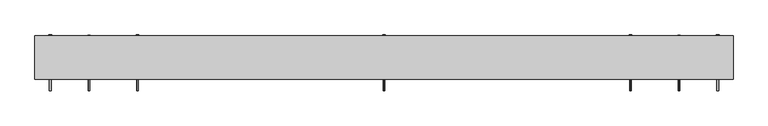
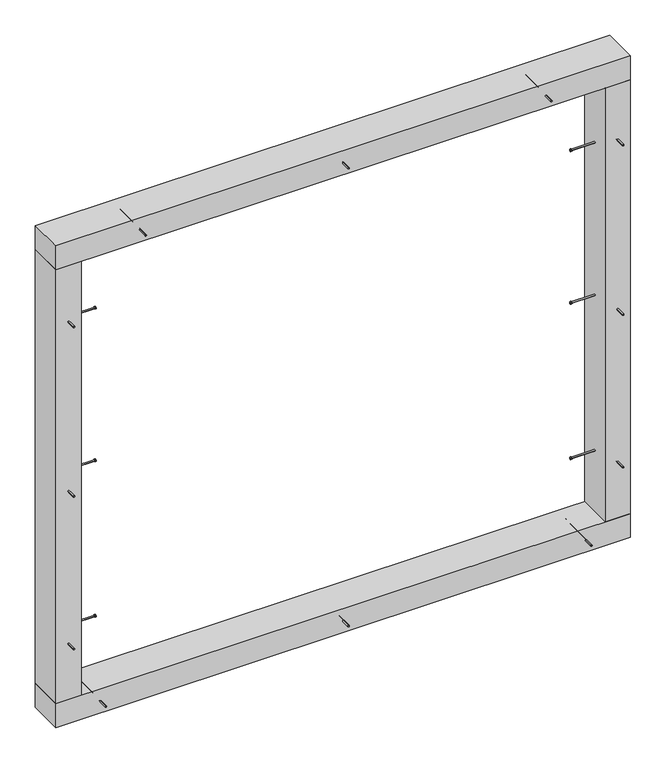
"""IFC4 building model written with IfcOpenShell, lengths in millimetres: proxy geometry."""

from ifc_helpers import new_model, si_unit, point, frame, frame_2d, origin, origin_with_axes, place, context, project, spatial, polyline, circle_curve, trimmed, segment, composite_curve, outline, extrude, source, transform, mapped, element, save


def generic_models_c00887e0(model_context):
    return source(origin(), model_context, "Body", "SweptSolid", [
        extrude(outline(composite_curve([segment(trimmed(circle_curve(frame_2d((1677.5, 125.0)), 2.4700592), [point((1679.9700592, 125.0))], [point((1675.0299408, 125.0))], False, "CARTESIAN"), True, "CONTINUOUS"), segment(trimmed(circle_curve(frame_2d((1677.5, 125.0)), 2.4700592), [point((1675.0299408, 125.0))], [point((1679.9700592, 125.0))], False, "CARTESIAN"), True, "CONTINUOUS")], self_intersect=False)), frame((0.0, -92.0, 0.0), z_axis=(0.0, 1.0, 0.0), x_axis=(0.0, 0.0, 1.0)), (0.0, 0.0, 1.0), 152.0),
        extrude(outline(composite_curve([segment(trimmed(circle_curve(frame_2d((1677.5, 125.0)), 3.8), [point((1681.3, 125.0))], [point((1673.7, 125.0))], False, "CARTESIAN"), True, "CONTINUOUS"), segment(trimmed(circle_curve(frame_2d((1677.5, 125.0)), 3.8), [point((1673.7, 125.0))], [point((1681.3, 125.0))], False, "CARTESIAN"), True, "CONTINUOUS")], self_intersect=False)), frame((0.0, 60.0, 0.0), z_axis=(0.0, 1.0, 0.0), x_axis=(0.0, 0.0, 1.0)), (0.0, 0.0, 1.0), 3.0),
        extrude(outline(composite_curve([segment(trimmed(circle_curve(frame_2d((1677.5, 810.0)), 2.4700592), [point((1679.9700592, 810.0))], [point((1675.0299408, 810.0))], False, "CARTESIAN"), True, "CONTINUOUS"), segment(trimmed(circle_curve(frame_2d((1677.5, 810.0)), 2.4700592), [point((1675.0299408, 810.0))], [point((1679.9700592, 810.0))], False, "CARTESIAN"), True, "CONTINUOUS")], self_intersect=False)), frame((0.0, -92.0, 0.0), z_axis=(0.0, 1.0, 0.0), x_axis=(0.0, 0.0, 1.0)), (0.0, 0.0, 1.0), 152.0),
        extrude(outline(composite_curve([segment(trimmed(circle_curve(frame_2d((1677.5, 810.0)), 3.8), [point((1681.3, 810.0))], [point((1673.7, 810.0))], False, "CARTESIAN"), True, "CONTINUOUS"), segment(trimmed(circle_curve(frame_2d((1677.5, 810.0)), 3.8), [point((1673.7, 810.0))], [point((1681.3, 810.0))], False, "CARTESIAN"), True, "CONTINUOUS")], self_intersect=False)), frame((0.0, 60.0, 0.0), z_axis=(0.0, 1.0, 0.0), x_axis=(0.0, 0.0, 1.0)), (0.0, 0.0, 1.0), 3.0),
        extrude(outline(composite_curve([segment(trimmed(circle_curve(frame_2d((1677.5, -560.0)), 2.4700592), [point((1679.9700592, -560.0))], [point((1675.0299408, -560.0))], False, "CARTESIAN"), True, "CONTINUOUS"), segment(trimmed(circle_curve(frame_2d((1677.5, -560.0)), 2.4700592), [point((1675.0299408, -560.0))], [point((1679.9700592, -560.0))], False, "CARTESIAN"), True, "CONTINUOUS")], self_intersect=False)), frame((0.0, -92.0, 0.0), z_axis=(0.0, 1.0, 0.0), x_axis=(0.0, 0.0, 1.0)), (0.0, 0.0, 1.0), 152.0),
        extrude(outline(composite_curve([segment(trimmed(circle_curve(frame_2d((1677.5, -560.0)), 3.8), [point((1681.3, -560.0))], [point((1673.7, -560.0))], False, "CARTESIAN"), True, "CONTINUOUS"), segment(trimmed(circle_curve(frame_2d((1677.5, -560.0)), 3.8), [point((1673.7, -560.0))], [point((1681.3, -560.0))], False, "CARTESIAN"), True, "CONTINUOUS")], self_intersect=False)), frame((0.0, 60.0, 0.0), z_axis=(0.0, 1.0, 0.0), x_axis=(0.0, 0.0, 1.0)), (0.0, 0.0, 1.0), 3.0),
        extrude(outline(composite_curve([segment(trimmed(circle_curve(frame_2d((1677.5, -560.0)), 2.4700592), [point((1679.9700592, -560.0))], [point((1675.0299408, -560.0))], False, "CARTESIAN"), True, "CONTINUOUS"), segment(trimmed(circle_curve(frame_2d((1677.5, -560.0)), 2.4700592), [point((1675.0299408, -560.0))], [point((1679.9700592, -560.0))], False, "CARTESIAN"), True, "CONTINUOUS")], self_intersect=False)), frame((0.0, -92.0, 0.0), z_axis=(0.0, 1.0, 0.0), x_axis=(0.0, 0.0, 1.0)), (0.0, 0.0, 1.0), 152.0),
        extrude(outline(composite_curve([segment(trimmed(circle_curve(frame_2d((1677.5, -560.0)), 3.8), [point((1681.3, -560.0))], [point((1673.7, -560.0))], False, "CARTESIAN"), True, "CONTINUOUS"), segment(trimmed(circle_curve(frame_2d((1677.5, -560.0)), 3.8), [point((1673.7, -560.0))], [point((1681.3, -560.0))], False, "CARTESIAN"), True, "CONTINUOUS")], self_intersect=False)), frame((0.0, 60.0, 0.0), z_axis=(0.0, 1.0, 0.0), x_axis=(0.0, 0.0, 1.0)), (0.0, 0.0, 1.0), 3.0),
        extrude(outline(composite_curve([segment(trimmed(circle_curve(frame_2d((1677.5, 810.0)), 2.4700592), [point((1679.9700592, 810.0))], [point((1675.0299408, 810.0))], False, "CARTESIAN"), True, "CONTINUOUS"), segment(trimmed(circle_curve(frame_2d((1677.5, 810.0)), 2.4700592), [point((1675.0299408, 810.0))], [point((1679.9700592, 810.0))], False, "CARTESIAN"), True, "CONTINUOUS")], self_intersect=False)), frame((0.0, -92.0, 0.0), z_axis=(0.0, 1.0, 0.0), x_axis=(0.0, 0.0, 1.0)), (0.0, 0.0, 1.0), 152.0),
        extrude(outline(composite_curve([segment(trimmed(circle_curve(frame_2d((1677.5, 810.0)), 3.8), [point((1681.3, 810.0))], [point((1673.7, 810.0))], False, "CARTESIAN"), True, "CONTINUOUS"), segment(trimmed(circle_curve(frame_2d((1677.5, 810.0)), 3.8), [point((1673.7, 810.0))], [point((1681.3, 810.0))], False, "CARTESIAN"), True, "CONTINUOUS")], self_intersect=False)), frame((0.0, 60.0, 0.0), z_axis=(0.0, 1.0, 0.0), x_axis=(0.0, 0.0, 1.0)), (0.0, 0.0, 1.0), 3.0),
        extrude(outline(polyline([(1095.0, -60.0), (-845.0, -60.0), (-845.0, 60.0), (1095.0, 60.0), (1095.0, -60.0)])), frame((0.0, 0.0, 1635.0), z_axis=(0.0, 0.0, 1.0), x_axis=(1.0, 0.0, 0.0)), (0.0, 0.0, 1.0), 85.0),
        extrude(outline(composite_curve([segment(trimmed(circle_curve(frame_2d((42.5, 125.0)), 2.4700592), [point((44.9700592, 125.0))], [point((40.0299408, 125.0))], False, "CARTESIAN"), True, "CONTINUOUS"), segment(trimmed(circle_curve(frame_2d((42.5, 125.0)), 2.4700592), [point((40.0299408, 125.0))], [point((44.9700592, 125.0))], False, "CARTESIAN"), True, "CONTINUOUS")], self_intersect=False)), frame((0.0, -92.0, 0.0), z_axis=(0.0, 1.0, 0.0), x_axis=(0.0, 0.0, 1.0)), (0.0, 0.0, 1.0), 152.0),
        extrude(outline(composite_curve([segment(trimmed(circle_curve(frame_2d((42.5, 125.0)), 3.8), [point((46.3, 125.0))], [point((38.7, 125.0))], False, "CARTESIAN"), True, "CONTINUOUS"), segment(trimmed(circle_curve(frame_2d((42.5, 125.0)), 3.8), [point((38.7, 125.0))], [point((46.3, 125.0))], False, "CARTESIAN"), True, "CONTINUOUS")], self_intersect=False)), frame((0.0, 60.0, 0.0), z_axis=(0.0, 1.0, 0.0), x_axis=(0.0, 0.0, 1.0)), (0.0, 0.0, 1.0), 3.0),
        extrude(outline(composite_curve([segment(trimmed(circle_curve(frame_2d((42.5, 945.0)), 2.4700592), [point((44.9700592, 945.0))], [point((40.0299408, 945.0))], False, "CARTESIAN"), True, "CONTINUOUS"), segment(trimmed(circle_curve(frame_2d((42.5, 945.0)), 2.4700592), [point((40.0299408, 945.0))], [point((44.9700592, 945.0))], False, "CARTESIAN"), True, "CONTINUOUS")], self_intersect=False)), frame((0.0, -92.0, 0.0), z_axis=(0.0, 1.0, 0.0), x_axis=(0.0, 0.0, 1.0)), (0.0, 0.0, 1.0), 152.0),
        extrude(outline(composite_curve([segment(trimmed(circle_curve(frame_2d((42.5, 945.0)), 3.8), [point((46.3, 945.0))], [point((38.7, 945.0))], False, "CARTESIAN"), True, "CONTINUOUS"), segment(trimmed(circle_curve(frame_2d((42.5, 945.0)), 3.8), [point((38.7, 945.0))], [point((46.3, 945.0))], False, "CARTESIAN"), True, "CONTINUOUS")], self_intersect=False)), frame((0.0, 60.0, 0.0), z_axis=(0.0, 1.0, 0.0), x_axis=(0.0, 0.0, 1.0)), (0.0, 0.0, 1.0), 3.0),
        extrude(outline(composite_curve([segment(trimmed(circle_curve(frame_2d((42.5, -695.0)), 2.4700592), [point((44.9700592, -695.0))], [point((40.0299408, -695.0))], False, "CARTESIAN"), True, "CONTINUOUS"), segment(trimmed(circle_curve(frame_2d((42.5, -695.0)), 2.4700592), [point((40.0299408, -695.0))], [point((44.9700592, -695.0))], False, "CARTESIAN"), True, "CONTINUOUS")], self_intersect=False)), frame((0.0, -92.0, 0.0), z_axis=(0.0, 1.0, 0.0), x_axis=(0.0, 0.0, 1.0)), (0.0, 0.0, 1.0), 152.0),
        extrude(outline(composite_curve([segment(trimmed(circle_curve(frame_2d((42.5, -695.0)), 3.8), [point((46.3, -695.0))], [point((38.7, -695.0))], False, "CARTESIAN"), True, "CONTINUOUS"), segment(trimmed(circle_curve(frame_2d((42.5, -695.0)), 3.8), [point((38.7, -695.0))], [point((46.3, -695.0))], False, "CARTESIAN"), True, "CONTINUOUS")], self_intersect=False)), frame((0.0, 60.0, 0.0), z_axis=(0.0, 1.0, 0.0), x_axis=(0.0, 0.0, 1.0)), (0.0, 0.0, 1.0), 3.0),
        extrude(outline(composite_curve([segment(trimmed(circle_curve(frame_2d((42.5, -695.0)), 2.4700592), [point((44.9700592, -695.0))], [point((40.0299408, -695.0))], False, "CARTESIAN"), True, "CONTINUOUS"), segment(trimmed(circle_curve(frame_2d((42.5, -695.0)), 2.4700592), [point((40.0299408, -695.0))], [point((44.9700592, -695.0))], False, "CARTESIAN"), True, "CONTINUOUS")], self_intersect=False)), frame((0.0, -92.0, 0.0), z_axis=(0.0, 1.0, 0.0), x_axis=(0.0, 0.0, 1.0)), (0.0, 0.0, 1.0), 152.0),
        extrude(outline(composite_curve([segment(trimmed(circle_curve(frame_2d((42.5, -695.0)), 3.8), [point((46.3, -695.0))], [point((38.7, -695.0))], False, "CARTESIAN"), True, "CONTINUOUS"), segment(trimmed(circle_curve(frame_2d((42.5, -695.0)), 3.8), [point((38.7, -695.0))], [point((46.3, -695.0))], False, "CARTESIAN"), True, "CONTINUOUS")], self_intersect=False)), frame((0.0, 60.0, 0.0), z_axis=(0.0, 1.0, 0.0), x_axis=(0.0, 0.0, 1.0)), (0.0, 0.0, 1.0), 3.0),
        extrude(outline(composite_curve([segment(trimmed(circle_curve(frame_2d((42.5, 945.0)), 2.4700592), [point((44.9700592, 945.0))], [point((40.0299408, 945.0))], False, "CARTESIAN"), True, "CONTINUOUS"), segment(trimmed(circle_curve(frame_2d((42.5, 945.0)), 2.4700592), [point((40.0299408, 945.0))], [point((44.9700592, 945.0))], False, "CARTESIAN"), True, "CONTINUOUS")], self_intersect=False)), frame((0.0, -92.0, 0.0), z_axis=(0.0, 1.0, 0.0), x_axis=(0.0, 0.0, 1.0)), (0.0, 0.0, 1.0), 152.0),
        extrude(outline(composite_curve([segment(trimmed(circle_curve(frame_2d((42.5, 945.0)), 3.8), [point((46.3, 945.0))], [point((38.7, 945.0))], False, "CARTESIAN"), True, "CONTINUOUS"), segment(trimmed(circle_curve(frame_2d((42.5, 945.0)), 3.8), [point((38.7, 945.0))], [point((46.3, 945.0))], False, "CARTESIAN"), True, "CONTINUOUS")], self_intersect=False)), frame((0.0, 60.0, 0.0), z_axis=(0.0, 1.0, 0.0), x_axis=(0.0, 0.0, 1.0)), (0.0, 0.0, 1.0), 3.0),
        extrude(outline(polyline([(1095.0, -60.0), (-845.0, -60.0), (-845.0, 60.0), (1095.0, 60.0), (1095.0, -60.0)])), origin_with_axes(), (0.0, 0.0, 1.0), 85.0),
        extrude(outline(composite_curve([segment(trimmed(circle_curve(frame_2d((0.0, 305.0)), 2.4700592), [point((-2.4700592, 305.0))], [point((2.4700592, 305.0))], False, "CARTESIAN"), True, "CONTINUOUS"), segment(trimmed(circle_curve(frame_2d((0.0, 305.0)), 2.4700592), [point((2.4700592, 305.0))], [point((-2.4700592, 305.0))], False, "CARTESIAN"), True, "CONTINUOUS")], self_intersect=False)), frame((-820.0, 0.0, 0.0), z_axis=(1.0, 0.0, 0.0), x_axis=(0.0, 1.0, 0.0)), (0.0, 0.0, 1.0), 140.0),
        extrude(outline(composite_curve([segment(trimmed(circle_curve(frame_2d((0.0, 305.0)), 3.8), [point((-3.8, 305.0))], [point((3.8, 305.0))], False, "CARTESIAN"), True, "CONTINUOUS"), segment(trimmed(circle_curve(frame_2d((0.0, 305.0)), 3.8), [point((3.8, 305.0))], [point((-3.8, 305.0))], False, "CARTESIAN"), True, "CONTINUOUS")], self_intersect=False)), frame((-680.0, 0.0, 0.0), z_axis=(1.0, 0.0, 0.0), x_axis=(0.0, 1.0, 0.0)), (0.0, 0.0, 1.0), 3.0),
        extrude(outline(composite_curve([segment(trimmed(circle_curve(frame_2d((0.0, 1405.0)), 2.4700592), [point((-2.4700592, 1405.0))], [point((2.4700592, 1405.0))], False, "CARTESIAN"), True, "CONTINUOUS"), segment(trimmed(circle_curve(frame_2d((0.0, 1405.0)), 2.4700592), [point((2.4700592, 1405.0))], [point((-2.4700592, 1405.0))], False, "CARTESIAN"), True, "CONTINUOUS")], self_intersect=False)), frame((-820.0, 0.0, 0.0), z_axis=(1.0, 0.0, 0.0), x_axis=(0.0, 1.0, 0.0)), (0.0, 0.0, 1.0), 140.0),
        extrude(outline(composite_curve([segment(trimmed(circle_curve(frame_2d((0.0, 1405.0)), 3.8), [point((-3.8, 1405.0))], [point((3.8, 1405.0))], False, "CARTESIAN"), True, "CONTINUOUS"), segment(trimmed(circle_curve(frame_2d((0.0, 1405.0)), 3.8), [point((3.8, 1405.0))], [point((-3.8, 1405.0))], False, "CARTESIAN"), True, "CONTINUOUS")], self_intersect=False)), frame((-680.0, 0.0, 0.0), z_axis=(1.0, 0.0, 0.0), x_axis=(0.0, 1.0, 0.0)), (0.0, 0.0, 1.0), 3.0),
        extrude(outline(composite_curve([segment(trimmed(circle_curve(frame_2d((830.0, -802.5)), 2.4700592), [point((830.0, -804.9700592))], [point((830.0, -800.0299408))], False, "CARTESIAN"), True, "CONTINUOUS"), segment(trimmed(circle_curve(frame_2d((830.0, -802.5)), 2.4700592), [point((830.0, -800.0299408))], [point((830.0, -804.9700592))], False, "CARTESIAN"), True, "CONTINUOUS")], self_intersect=False)), frame((0.0, -92.0, 0.0), z_axis=(0.0, 1.0, 0.0), x_axis=(0.0, 0.0, 1.0)), (0.0, 0.0, 1.0), 152.0),
        extrude(outline(composite_curve([segment(trimmed(circle_curve(frame_2d((830.0, -802.5)), 3.8), [point((830.0, -806.3))], [point((830.0, -798.7))], False, "CARTESIAN"), True, "CONTINUOUS"), segment(trimmed(circle_curve(frame_2d((830.0, -802.5)), 3.8), [point((830.0, -798.7))], [point((830.0, -806.3))], False, "CARTESIAN"), True, "CONTINUOUS")], self_intersect=False)), frame((0.0, 60.0, 0.0), z_axis=(0.0, 1.0, 0.0), x_axis=(0.0, 0.0, 1.0)), (0.0, 0.0, 1.0), 3.0),
        extrude(outline(composite_curve([segment(trimmed(circle_curve(frame_2d((0.0, 860.0)), 2.4700592), [point((-2.4700592, 860.0))], [point((2.4700592, 860.0))], False, "CARTESIAN"), True, "CONTINUOUS"), segment(trimmed(circle_curve(frame_2d((0.0, 860.0)), 2.4700592), [point((2.4700592, 860.0))], [point((-2.4700592, 860.0))], False, "CARTESIAN"), True, "CONTINUOUS")], self_intersect=False)), frame((-820.0, 0.0, 0.0), z_axis=(1.0, 0.0, 0.0), x_axis=(0.0, 1.0, 0.0)), (0.0, 0.0, 1.0), 140.0),
        extrude(outline(composite_curve([segment(trimmed(circle_curve(frame_2d((0.0, 860.0)), 3.8), [point((-3.8, 860.0))], [point((3.8, 860.0))], False, "CARTESIAN"), True, "CONTINUOUS"), segment(trimmed(circle_curve(frame_2d((0.0, 860.0)), 3.8), [point((3.8, 860.0))], [point((-3.8, 860.0))], False, "CARTESIAN"), True, "CONTINUOUS")], self_intersect=False)), frame((-680.0, 0.0, 0.0), z_axis=(1.0, 0.0, 0.0), x_axis=(0.0, 1.0, 0.0)), (0.0, 0.0, 1.0), 3.0),
        extrude(outline(composite_curve([segment(trimmed(circle_curve(frame_2d((1435.0, -802.5)), 2.4700592), [point((1435.0, -804.9700592))], [point((1435.0, -800.0299408))], False, "CARTESIAN"), True, "CONTINUOUS"), segment(trimmed(circle_curve(frame_2d((1435.0, -802.5)), 2.4700592), [point((1435.0, -800.0299408))], [point((1435.0, -804.9700592))], False, "CARTESIAN"), True, "CONTINUOUS")], self_intersect=False)), frame((0.0, -92.0, 0.0), z_axis=(0.0, 1.0, 0.0), x_axis=(0.0, 0.0, 1.0)), (0.0, 0.0, 1.0), 152.0),
        extrude(outline(composite_curve([segment(trimmed(circle_curve(frame_2d((1435.0, -802.5)), 3.8), [point((1435.0, -806.3))], [point((1435.0, -798.7))], False, "CARTESIAN"), True, "CONTINUOUS"), segment(trimmed(circle_curve(frame_2d((1435.0, -802.5)), 3.8), [point((1435.0, -798.7))], [point((1435.0, -806.3))], False, "CARTESIAN"), True, "CONTINUOUS")], self_intersect=False)), frame((0.0, 60.0, 0.0), z_axis=(0.0, 1.0, 0.0), x_axis=(0.0, 0.0, 1.0)), (0.0, 0.0, 1.0), 3.0),
        extrude(outline(composite_curve([segment(trimmed(circle_curve(frame_2d((285.0, -802.5)), 2.4700592), [point((285.0, -804.9700592))], [point((285.0, -800.0299408))], False, "CARTESIAN"), True, "CONTINUOUS"), segment(trimmed(circle_curve(frame_2d((285.0, -802.5)), 2.4700592), [point((285.0, -800.0299408))], [point((285.0, -804.9700592))], False, "CARTESIAN"), True, "CONTINUOUS")], self_intersect=False)), frame((0.0, -92.0, 0.0), z_axis=(0.0, 1.0, 0.0), x_axis=(0.0, 0.0, 1.0)), (0.0, 0.0, 1.0), 152.0),
        extrude(outline(composite_curve([segment(trimmed(circle_curve(frame_2d((285.0, -802.5)), 3.8), [point((285.0, -806.3))], [point((285.0, -798.7))], False, "CARTESIAN"), True, "CONTINUOUS"), segment(trimmed(circle_curve(frame_2d((285.0, -802.5)), 3.8), [point((285.0, -798.7))], [point((285.0, -806.3))], False, "CARTESIAN"), True, "CONTINUOUS")], self_intersect=False)), frame((0.0, 60.0, 0.0), z_axis=(0.0, 1.0, 0.0), x_axis=(0.0, 0.0, 1.0)), (0.0, 0.0, 1.0), 3.0),
        extrude(outline(polyline([(-845.0, -60.0), (-845.0, 60.0), (-760.0, 60.0), (-760.0, -60.0), (-845.0, -60.0)])), frame((0.0, 0.0, 85.0), z_axis=(0.0, 0.0, 1.0), x_axis=(1.0, 0.0, 0.0)), (0.0, 0.0, 1.0), 1550.0),
        extrude(outline(composite_curve([segment(trimmed(circle_curve(frame_2d((0.0, 305.0)), 2.4700592), [point((-2.4700592, 305.0))], [point((2.4700592, 305.0))], False, "CARTESIAN"), True, "CONTINUOUS"), segment(trimmed(circle_curve(frame_2d((0.0, 305.0)), 2.4700592), [point((2.4700592, 305.0))], [point((-2.4700592, 305.0))], False, "CARTESIAN"), True, "CONTINUOUS")], self_intersect=False)), frame((930.0, 0.0, 0.0), z_axis=(1.0, 0.0, 0.0), x_axis=(0.0, 1.0, 0.0)), (0.0, 0.0, 1.0), 140.0),
        extrude(outline(composite_curve([segment(trimmed(circle_curve(frame_2d((0.0, 305.0)), 3.8), [point((-3.8, 305.0))], [point((3.8, 305.0))], False, "CARTESIAN"), True, "CONTINUOUS"), segment(trimmed(circle_curve(frame_2d((0.0, 305.0)), 3.8), [point((3.8, 305.0))], [point((-3.8, 305.0))], False, "CARTESIAN"), True, "CONTINUOUS")], self_intersect=False)), frame((927.0, 0.0, 0.0), z_axis=(1.0, 0.0, 0.0), x_axis=(0.0, 1.0, 0.0)), (0.0, 0.0, 1.0), 3.0),
        extrude(outline(composite_curve([segment(trimmed(circle_curve(frame_2d((0.0, 1405.0)), 2.4700592), [point((-2.4700592, 1405.0))], [point((2.4700592, 1405.0))], False, "CARTESIAN"), True, "CONTINUOUS"), segment(trimmed(circle_curve(frame_2d((0.0, 1405.0)), 2.4700592), [point((2.4700592, 1405.0))], [point((-2.4700592, 1405.0))], False, "CARTESIAN"), True, "CONTINUOUS")], self_intersect=False)), frame((930.0, 0.0, 0.0), z_axis=(1.0, 0.0, 0.0), x_axis=(0.0, 1.0, 0.0)), (0.0, 0.0, 1.0), 140.0),
        extrude(outline(composite_curve([segment(trimmed(circle_curve(frame_2d((0.0, 1405.0)), 3.8), [point((-3.8, 1405.0))], [point((3.8, 1405.0))], False, "CARTESIAN"), True, "CONTINUOUS"), segment(trimmed(circle_curve(frame_2d((0.0, 1405.0)), 3.8), [point((3.8, 1405.0))], [point((-3.8, 1405.0))], False, "CARTESIAN"), True, "CONTINUOUS")], self_intersect=False)), frame((927.0, 0.0, 0.0), z_axis=(1.0, 0.0, 0.0), x_axis=(0.0, 1.0, 0.0)), (0.0, 0.0, 1.0), 3.0),
        extrude(outline(composite_curve([segment(trimmed(circle_curve(frame_2d((830.0, 1052.5)), 2.4700592), [point((830.0, 1054.9700592))], [point((830.0, 1050.0299408))], False, "CARTESIAN"), True, "CONTINUOUS"), segment(trimmed(circle_curve(frame_2d((830.0, 1052.5)), 2.4700592), [point((830.0, 1050.0299408))], [point((830.0, 1054.9700592))], False, "CARTESIAN"), True, "CONTINUOUS")], self_intersect=False)), frame((0.0, -92.0, 0.0), z_axis=(0.0, 1.0, 0.0), x_axis=(0.0, 0.0, 1.0)), (0.0, 0.0, 1.0), 152.0),
        extrude(outline(composite_curve([segment(trimmed(circle_curve(frame_2d((830.0, 1052.5)), 3.8), [point((830.0, 1056.3))], [point((830.0, 1048.7))], False, "CARTESIAN"), True, "CONTINUOUS"), segment(trimmed(circle_curve(frame_2d((830.0, 1052.5)), 3.8), [point((830.0, 1048.7))], [point((830.0, 1056.3))], False, "CARTESIAN"), True, "CONTINUOUS")], self_intersect=False)), frame((0.0, 60.0, 0.0), z_axis=(0.0, 1.0, 0.0), x_axis=(0.0, 0.0, 1.0)), (0.0, 0.0, 1.0), 3.0),
        extrude(outline(composite_curve([segment(trimmed(circle_curve(frame_2d((0.0, 860.0)), 2.4700592), [point((-2.4700592, 860.0))], [point((2.4700592, 860.0))], False, "CARTESIAN"), True, "CONTINUOUS"), segment(trimmed(circle_curve(frame_2d((0.0, 860.0)), 2.4700592), [point((2.4700592, 860.0))], [point((-2.4700592, 860.0))], False, "CARTESIAN"), True, "CONTINUOUS")], self_intersect=False)), frame((930.0, 0.0, 0.0), z_axis=(1.0, 0.0, 0.0), x_axis=(0.0, 1.0, 0.0)), (0.0, 0.0, 1.0), 140.0),
        extrude(outline(composite_curve([segment(trimmed(circle_curve(frame_2d((0.0, 860.0)), 3.8), [point((-3.8, 860.0))], [point((3.8, 860.0))], False, "CARTESIAN"), True, "CONTINUOUS"), segment(trimmed(circle_curve(frame_2d((0.0, 860.0)), 3.8), [point((3.8, 860.0))], [point((-3.8, 860.0))], False, "CARTESIAN"), True, "CONTINUOUS")], self_intersect=False)), frame((927.0, 0.0, 0.0), z_axis=(1.0, 0.0, 0.0), x_axis=(0.0, 1.0, 0.0)), (0.0, 0.0, 1.0), 3.0),
        extrude(outline(composite_curve([segment(trimmed(circle_curve(frame_2d((1435.0, 1052.5)), 2.4700592), [point((1435.0, 1054.9700592))], [point((1435.0, 1050.0299408))], False, "CARTESIAN"), True, "CONTINUOUS"), segment(trimmed(circle_curve(frame_2d((1435.0, 1052.5)), 2.4700592), [point((1435.0, 1050.0299408))], [point((1435.0, 1054.9700592))], False, "CARTESIAN"), True, "CONTINUOUS")], self_intersect=False)), frame((0.0, -92.0, 0.0), z_axis=(0.0, 1.0, 0.0), x_axis=(0.0, 0.0, 1.0)), (0.0, 0.0, 1.0), 152.0),
        extrude(outline(composite_curve([segment(trimmed(circle_curve(frame_2d((1435.0, 1052.5)), 3.8), [point((1435.0, 1056.3))], [point((1435.0, 1048.7))], False, "CARTESIAN"), True, "CONTINUOUS"), segment(trimmed(circle_curve(frame_2d((1435.0, 1052.5)), 3.8), [point((1435.0, 1048.7))], [point((1435.0, 1056.3))], False, "CARTESIAN"), True, "CONTINUOUS")], self_intersect=False)), frame((0.0, 60.0, 0.0), z_axis=(0.0, 1.0, 0.0), x_axis=(0.0, 0.0, 1.0)), (0.0, 0.0, 1.0), 3.0),
        extrude(outline(composite_curve([segment(trimmed(circle_curve(frame_2d((285.0, 1052.5)), 2.4700592), [point((285.0, 1054.9700592))], [point((285.0, 1050.0299408))], False, "CARTESIAN"), True, "CONTINUOUS"), segment(trimmed(circle_curve(frame_2d((285.0, 1052.5)), 2.4700592), [point((285.0, 1050.0299408))], [point((285.0, 1054.9700592))], False, "CARTESIAN"), True, "CONTINUOUS")], self_intersect=False)), frame((0.0, -92.0, 0.0), z_axis=(0.0, 1.0, 0.0), x_axis=(0.0, 0.0, 1.0)), (0.0, 0.0, 1.0), 152.0),
        extrude(outline(composite_curve([segment(trimmed(circle_curve(frame_2d((285.0, 1052.5)), 3.8), [point((285.0, 1056.3))], [point((285.0, 1048.7))], False, "CARTESIAN"), True, "CONTINUOUS"), segment(trimmed(circle_curve(frame_2d((285.0, 1052.5)), 3.8), [point((285.0, 1048.7))], [point((285.0, 1056.3))], False, "CARTESIAN"), True, "CONTINUOUS")], self_intersect=False)), frame((0.0, 60.0, 0.0), z_axis=(0.0, 1.0, 0.0), x_axis=(0.0, 0.0, 1.0)), (0.0, 0.0, 1.0), 3.0),
        extrude(outline(polyline([(1095.0, -60.0), (1010.0, -60.0), (1010.0, 60.0), (1095.0, 60.0), (1095.0, -60.0)])), frame((0.0, 0.0, 85.0), z_axis=(0.0, 0.0, 1.0), x_axis=(1.0, 0.0, 0.0)), (0.0, 0.0, 1.0), 1550.0),
    ])


if __name__ == "__main__":
    model = new_model("IFC4")
    model_context = context("Model", 3, world=origin())
    ifc_project = project(units=[si_unit("LENGTHUNIT", "METRE", prefix="MILLI")], contexts=[model_context])
    site = spatial("IfcSite", under=ifc_project)
    building = spatial("IfcBuilding", under=site)
    placement = place(None, origin())
    generic_models_shape = generic_models_c00887e0(model_context)
    element("IfcBuildingElementProxy", 1, Name="Generic Models", at=placement, inside=building, context=model_context, shape_type="MappedRepresentation", body=[
        mapped(generic_models_shape, transform((0.0, 0.0, 0.0), x_axis=(1.0, 0.0, 0.0), y_axis=(0.0, 1.0, 0.0), z_axis=(0.0, 0.0, 1.0))),
    ])
    save(model, "model.ifc")
